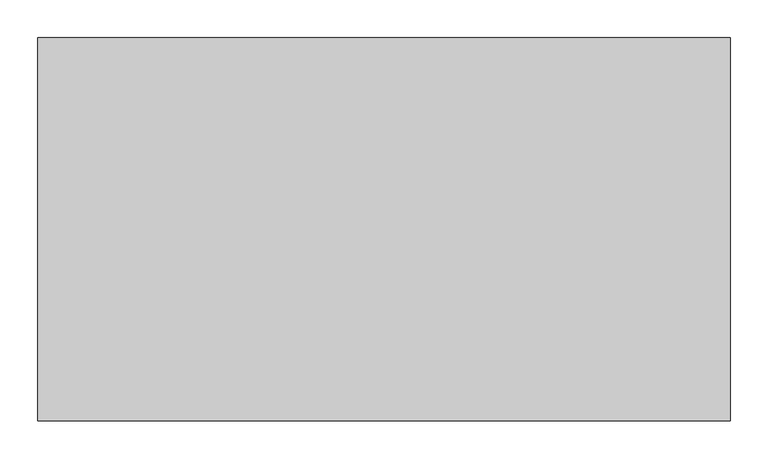
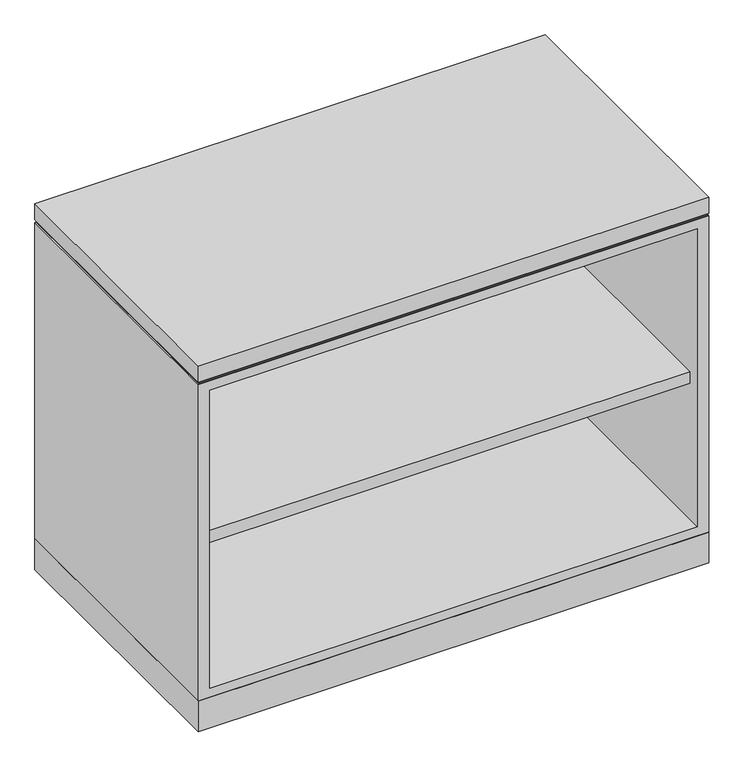
"""IFC4 building model written with IfcOpenShell, lengths in millimetres: furniture geometry."""

from ifc_helpers import new_model, si_unit, frame, origin, origin_with_axes, place, context, project, spatial, polyline, outline, extrude, faceted_brep, source, transform, mapped, element, save


def furniture_d70fa258(model_context):
    return source(origin(), model_context, "Body", "SolidModel", [
        extrude(outline(polyline([(912.8125, -1.524), (912.8125, -506.349), (1.5875, -506.349), (1.5875, -1.524), (912.8125, -1.524)])), frame((0.0, 0.0, 2.34188), z_axis=(0.0, 0.0, 1.0), x_axis=(1.0, 0.0, 0.0)), (0.0, 0.0, 1.0), 57.91708),
        extrude(outline(polyline([(912.114, -504.444), (3.8735, -504.444), (3.8735, -2.3114), (912.114, -2.3114), (912.114, -504.444)])), frame((0.0, 0.0, 657.15896), z_axis=(0.0, 0.0, 1.0), x_axis=(1.0, 0.0, 0.0)), (0.0, 0.0, 1.0), 1.905),
        extrude(outline(polyline([(46.1772, -27.7114), (61.8363, -36.7521856), (61.8363, -54.8337568), (46.1772, -63.8745424), (30.5181, -54.8337568), (30.5181, -36.7521856), (46.1772, -27.7114)])), origin_with_axes(), (0.0, 0.0, 1.0), 8.4328),
        extrude(outline(polyline([(46.1772, -480.1616), (30.5181, -471.1208144), (30.5181, -453.0392432), (46.1772, -443.9984576), (61.8363, -453.0392432), (61.8363, -471.1208144), (46.1772, -480.1616)])), origin_with_axes(), (0.0, 0.0, 1.0), 8.4328),
        extrude(outline(polyline([(868.2228, -27.7114), (883.8819, -36.7521856), (883.8819, -54.8337568), (868.2228, -63.8745424), (852.5637, -54.8337568), (852.5637, -36.7521856), (868.2228, -27.7114)])), origin_with_axes(), (0.0, 0.0, 1.0), 8.4328),
        extrude(outline(polyline([(868.2228, -480.1616), (852.5637, -471.1208144), (852.5637, -453.0392432), (868.2228, -443.9984576), (883.8819, -453.0392432), (883.8819, -471.1208144), (868.2228, -480.1616)])), origin_with_axes(), (0.0, 0.0, 1.0), 8.4328),
        extrude(outline(polyline([(912.8125, -506.349), (1.5875, -506.349), (1.5875, -1.524), (912.8125, -1.524), (912.8125, -506.349)])), frame((0.0, 0.0, 662.23896), z_axis=(0.0, 0.0, 1.0), x_axis=(1.0, 0.0, 0.0)), (0.0, 0.0, 1.0), 29.972),
        extrude(outline(polyline([(892.1623, -483.87), (22.2377, -483.87), (22.2377, -23.749), (892.1623, -23.749), (892.1623, -483.87)])), frame((0.0, 0.0, 334.55356), z_axis=(0.0, 0.0, 1.0), x_axis=(1.0, 0.0, 0.0)), (0.0, 0.0, 1.0), 22.225),
        faceted_brep([(1.5875, -506.349, 60.25896), (912.8125, -506.349, 60.25896), (912.8125, -506.349, 657.15896), (1.5875, -506.349, 657.15896), (892.1623, -506.349, 639.68376), (892.1623, -506.349, 77.73416), (22.2377, -506.349, 77.73416), (22.2377, -506.349, 639.68376), (1.5875, -1.524, 60.25896), (1.5875, -1.524, 657.15896), (912.8125, -1.524, 657.15896), (912.8125, -1.524, 60.25896), (892.1623, -23.749, 77.73416), (892.1623, -23.749, 639.68376), (22.2377, -23.749, 639.68376), (22.2377, -23.749, 77.73416)], [[[0, 1, 2, 3], [4, 5, 6, 7]], [[8, 9, 10, 11]], [[1, 0, 8, 11]], [[2, 1, 11, 10]], [[12, 13, 14, 15]], [[13, 12, 5, 4]], [[3, 2, 10, 9]], [[12, 15, 6, 5]], [[14, 13, 4, 7]], [[0, 3, 9, 8]], [[15, 14, 7, 6]]]),
    ])


if __name__ == "__main__":
    model = new_model("IFC4")
    model_context = context("Model", 3, world=origin())
    ifc_project = project(units=[si_unit("LENGTHUNIT", "METRE", prefix="MILLI")], contexts=[model_context])
    site = spatial("IfcSite", under=ifc_project)
    building = spatial("IfcBuilding", under=site)
    placement = place(None, origin())
    furniture_shape = furniture_d70fa258(model_context)
    element("IfcFurniture", 1, at=placement, inside=building, context=model_context, shape_type="MappedRepresentation", body=[
        mapped(furniture_shape, transform((0.0, 0.0, 0.0), x_axis=(1.0, 0.0, 0.0), y_axis=(0.0, 1.0, 0.0), z_axis=(0.0, 0.0, 1.0))),
    ])
    save(model, "model.ifc")
